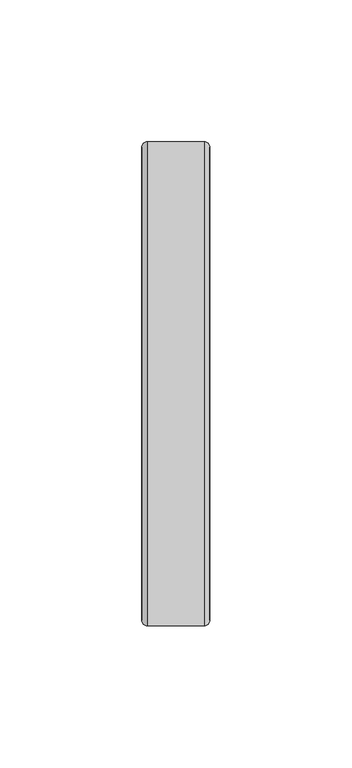
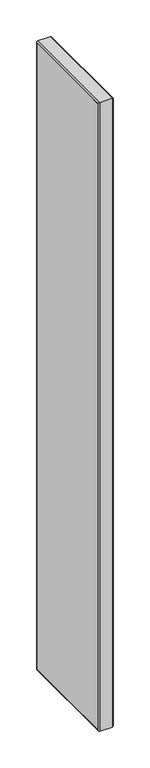
"""IFC4 building model written with IfcOpenShell, lengths in millimetres: furniture geometry."""

from ifc_helpers import new_model, si_unit, frame, origin, place, context, project, spatial, polyline, ellipse_curve, outline, extrude, source, transform, mapped, element, save
from ifc_brep_helpers import plane_surface, cylinder_surface, advanced_brep


def furniture_0945b7b7(model_context):
    return source(origin(), model_context, "Body", "SolidModel", [
        extrude(outline(polyline([(-0.0254, 40.8432), (-0.0254, -125.8316), (-24.0253997, -125.8316), (-24.0253997, 40.8432), (-0.0254, 40.8432)])), frame((0.0, 0.0, 1.9812), z_axis=(0.0, 0.0, 1.0), x_axis=(1.0, 0.0, 0.0)), (0.0, 0.0, 1.0), 1050.8234),
        advanced_brep(
        [(-22.0187997, -127.8382, 1054.8112), (-24.0253997, -125.8316, 1052.8046), (-24.0253997, -125.8316, 1.9812), (-22.0187997, -127.8382, -0.0254), (-2.032, -127.8382, 1054.8112), (-2.032, -127.8382, -0.0254), (-0.0254, -125.8316, 1052.8046), (-0.0254, -125.8316, 1.9812), (-24.0253997, 40.8432, 1.9812), (-22.0187997, 42.8498, -0.0254), (-2.032, 42.8498, -0.0254), (-0.0254, 40.8432, 1.9812), (-24.0253997, 40.8432, 1052.8046), (-22.0187997, 42.8498, 1054.8112), (-2.032, 42.8498, 1054.8112), (-0.0254, 40.8432, 1052.8046)],
        [
            (0, 1, ellipse_curve(frame((-22.0187997, -125.8316, 1052.8046), z_axis=(0.0, -0.7071067811865475, -0.7071067811865475), x_axis=(0.0, -0.7071067811865474, 0.7071067811865476)), 2.8377609, 2.0066)),
            (1, 2),
            (2, 3, ellipse_curve(frame((-22.0187997, -125.8316, 1.9812), z_axis=(0.0, -0.7071067811865475, 0.7071067811865475), x_axis=(0.0, 0.7071067811865474, 0.7071067811865476)), 2.8377609, 2.0066)),
            (3, 0),
            (4, 0),
            (3, 5),
            (5, 4),
            (6, 4, ellipse_curve(frame((-2.032, -125.8316, 1052.8046), z_axis=(0.0, -0.7071067811865475, -0.7071067811865475), x_axis=(0.0, -0.7071067811865474, 0.7071067811865476)), 2.8377609, 2.0066)),
            (5, 7, ellipse_curve(frame((-2.032, -125.8316, 1.9812), z_axis=(0.0, -0.7071067811865475, 0.7071067811865475), x_axis=(0.0, 0.7071067811865474, 0.7071067811865476)), 2.8377609, 2.0066)),
            (7, 6),
            (1, 6),
            (7, 2),
            (2, 8),
            (8, 9, ellipse_curve(frame((-22.0187997, 40.8432, 1.9812), z_axis=(0.0, -0.7071067811865475, -0.7071067811865475), x_axis=(0.0, -0.7071067811865476, 0.7071067811865474)), 2.8377609, 2.0066)),
            (9, 3),
            (9, 10),
            (10, 5),
            (10, 11, ellipse_curve(frame((-2.032, 40.8432, 1.9812), z_axis=(0.0, -0.7071067811865475, -0.7071067811865475), x_axis=(0.0, -0.7071067811865476, 0.7071067811865474)), 2.8377609, 2.0066)),
            (11, 7),
            (11, 8),
            (8, 12),
            (12, 13, ellipse_curve(frame((-22.0187997, 40.8432, 1052.8046), z_axis=(0.0, 0.7071067811865475, -0.7071067811865475), x_axis=(0.0, -0.7071067811865474, -0.7071067811865476)), 2.8377609, 2.0066)),
            (13, 9),
            (13, 14),
            (14, 10),
            (14, 15, ellipse_curve(frame((-2.032, 40.8432, 1052.8046), z_axis=(0.0, 0.7071067811865475, -0.7071067811865475), x_axis=(0.0, -0.7071067811865474, -0.7071067811865476)), 2.8377609, 2.0066)),
            (15, 11),
            (15, 12),
            (12, 1),
            (0, 13),
            (4, 14),
            (6, 15),
        ],
        [
            cylinder_surface(frame((-22.0187997, -125.8316, 1052.8046), z_axis=(0.0, 0.0, 1.0), x_axis=(0.0, 1.0, 0.0)), 2.0066),
            plane_surface(frame((-22.0187997, -127.8382, 1054.8112), z_axis=(0.0, -1.0, 0.0), x_axis=(0.0, 0.0, -1.0))),
            cylinder_surface(frame((-2.032, -125.8316, 1052.8046), z_axis=(0.0, 0.0, 1.0), x_axis=(0.0, 1.0, 0.0)), 2.0066),
            plane_surface(frame((-0.0254, -125.8316, 1052.8046), z_axis=(0.0, 1.0, 0.0), x_axis=(0.0, 0.0, -1.0))),
            cylinder_surface(frame((-22.0187997, -125.8316, 1.9812), z_axis=(0.0, -1.0, 0.0), x_axis=(0.0, 0.0, 1.0)), 2.0066),
            plane_surface(frame((-22.0187997, -127.8382, -0.0254), z_axis=(0.0, 0.0, -1.0), x_axis=(0.0, 1.0, 0.0))),
            cylinder_surface(frame((-2.032, -125.8316, 1.9812), z_axis=(0.0, -1.0, 0.0), x_axis=(0.0, 0.0, 1.0)), 2.0066),
            plane_surface(frame((-0.0254, -125.8316, 1.9812), z_axis=(0.0, 0.0, 1.0), x_axis=(0.0, 1.0, 0.0))),
            cylinder_surface(frame((-22.0187997, 40.8432, 1.9812), z_axis=(0.0, 0.0, -1.0), x_axis=(0.0, -1.0, 0.0)), 2.0066),
            plane_surface(frame((-22.0187997, 42.8498, -0.0254), z_axis=(0.0, 1.0, 0.0), x_axis=(0.0, 0.0, 1.0))),
            cylinder_surface(frame((-2.032, 40.8432, 1.9812), z_axis=(0.0, 0.0, -1.0), x_axis=(0.0, -1.0, 0.0)), 2.0066),
            plane_surface(frame((-0.0254, 40.8432, 1.9812), z_axis=(0.0, -1.0, 0.0), x_axis=(0.0, 0.0, 1.0))),
            cylinder_surface(frame((-22.0187997, 40.8432, 1052.8046), z_axis=(0.0, 1.0, 0.0), x_axis=(0.0, 0.0, -1.0)), 2.0066),
            plane_surface(frame((-22.0187997, 42.8498, 1054.8112), z_axis=(0.0, 0.0, 1.0), x_axis=(0.0, -1.0, 0.0))),
            cylinder_surface(frame((-2.032, 40.8432, 1052.8046), z_axis=(0.0, 1.0, 0.0), x_axis=(0.0, 0.0, -1.0)), 2.0066),
            plane_surface(frame((-0.0254, 40.8432, 1052.8046), z_axis=(0.0, 0.0, -1.0), x_axis=(0.0, -1.0, 0.0))),
        ],
        [
            (0, [[1, 2, 3, 4]]),
            (1, [[5, -4, 6, 7]]),
            (2, [[8, -7, 9, 10]]),
            (3, [[11, -10, 12, -2]]),
            (4, [[-3, 13, 14, 15]]),
            (5, [[-6, -15, 16, 17]]),
            (6, [[-9, -17, 18, 19]]),
            (7, [[-12, -19, 20, -13]]),
            (8, [[-14, 21, 22, 23]]),
            (9, [[-16, -23, 24, 25]]),
            (10, [[-18, -25, 26, 27]]),
            (11, [[-20, -27, 28, -21]]),
            (12, [[-22, 29, -1, 30]]),
            (13, [[-24, -30, -5, 31]]),
            (14, [[-26, -31, -8, 32]]),
            (15, [[-28, -32, -11, -29]]),
        ],
    ),
    ])


if __name__ == "__main__":
    model = new_model("IFC4")
    model_context = context("Model", 3, world=origin())
    ifc_project = project(units=[si_unit("LENGTHUNIT", "METRE", prefix="MILLI")], contexts=[model_context])
    site = spatial("IfcSite", under=ifc_project)
    building = spatial("IfcBuilding", under=site)
    placement = place(None, origin())
    furniture_shape = furniture_0945b7b7(model_context)
    element("IfcFurniture", 1, at=placement, inside=building, context=model_context, shape_type="MappedRepresentation", body=[
        mapped(furniture_shape, transform((0.0, 0.0, 0.0), x_axis=(1.0, 0.0, 0.0), y_axis=(0.0, 1.0, 0.0), z_axis=(0.0, 0.0, 1.0))),
    ])
    save(model, "model.ifc")
